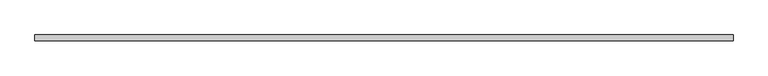
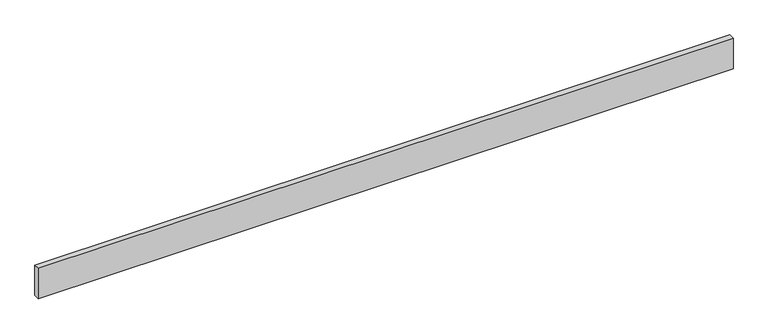
"""IFC4 building model written with IfcOpenShell, lengths in millimetres: beam geometry."""

from ifc_helpers import new_model, si_unit, frame, origin, place, context, project, spatial, polyline, outline, extrude, source, transform, mapped, element, save


def beam_4f35c71a(model_context):
    return source(origin(), model_context, "Body", "SweptSolid", [
        extrude(outline(polyline([(2159.0, -18.0), (-2159.0, -18.0), (-2159.0, 18.0), (2159.0, 18.0), (2159.0, -18.0)])), frame((0.0, 0.0, -100.0), z_axis=(0.0, 0.0, 1.0), x_axis=(1.0, 0.0, 0.0)), (0.0, 0.0, 1.0), 200.0),
    ])


if __name__ == "__main__":
    model = new_model("IFC4")
    model_context = context("Model", 3, world=origin())
    ifc_project = project(units=[si_unit("LENGTHUNIT", "METRE", prefix="MILLI")], contexts=[model_context])
    site = spatial("IfcSite", under=ifc_project)
    building = spatial("IfcBuilding", under=site)
    placement = place(None, origin())
    beam_shape = beam_4f35c71a(model_context)
    element("IfcBeam", 1, at=placement, inside=building, context=model_context, shape_type="MappedRepresentation", body=[
        mapped(beam_shape, transform((0.0, 0.0, 0.0), x_axis=(1.0, 0.0, 0.0), y_axis=(0.0, 1.0, 0.0), z_axis=(0.0, 0.0, 1.0))),
    ])
    save(model, "model.ifc")
